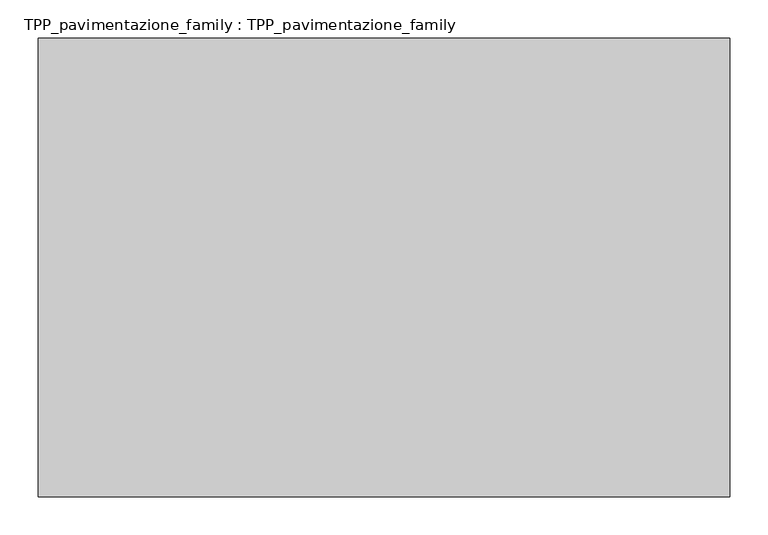
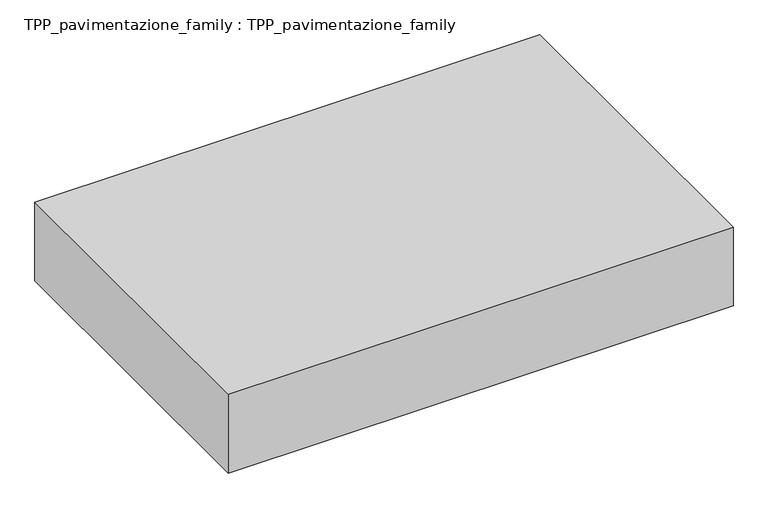
"""IFC4 building model written with IfcOpenShell, lengths in millimetres: proxy geometry, TPP_pavimentazione_family : TPP_pavimentazione_family."""

from ifc_helpers import new_model, si_unit, origin, origin_with_axes, place, context, project, spatial, polyline, outline, extrude, source, transform, mapped, element, save


def tpp_pavimentazione_family_tpp_pavimentazione_family_c19ba6eb(model_context):
    return source(origin(), model_context, "Body", "SweptSolid", [
        extrude(outline(polyline([(511.8146187, 354.2201026), (511.8146187, -248.5834111), (-396.7968966, -248.5834111), (-396.7968966, 354.2201026), (511.8146187, 354.2201026)])), origin_with_axes(), (0.0, 0.0, 1.0), 150.0),
    ])


if __name__ == "__main__":
    model = new_model("IFC4")
    model_context = context("Model", 3, world=origin())
    ifc_project = project(units=[si_unit("LENGTHUNIT", "METRE", prefix="MILLI")], contexts=[model_context])
    site = spatial("IfcSite", under=ifc_project)
    building = spatial("IfcBuilding", under=site)
    placement = place(None, origin())
    tpp_pavimentazione_family_tpp_pavimentazione_family_shape = tpp_pavimentazione_family_tpp_pavimentazione_family_c19ba6eb(model_context)
    element("IfcBuildingElementProxy", 1, Name="TPP_pavimentazione_family : TPP_pavimentazione_family", ObjectType="TPP_pavimentazione_family : TPP_pavimentazione_family", at=placement, inside=building, context=model_context, shape_type="MappedRepresentation", body=[
        mapped(tpp_pavimentazione_family_tpp_pavimentazione_family_shape, transform((0.0, 0.0, 0.0), x_axis=(1.0, 0.0, 0.0), y_axis=(0.0, 1.0, 0.0), z_axis=(0.0, 0.0, 1.0))),
    ])
    save(model, "model.ifc")
